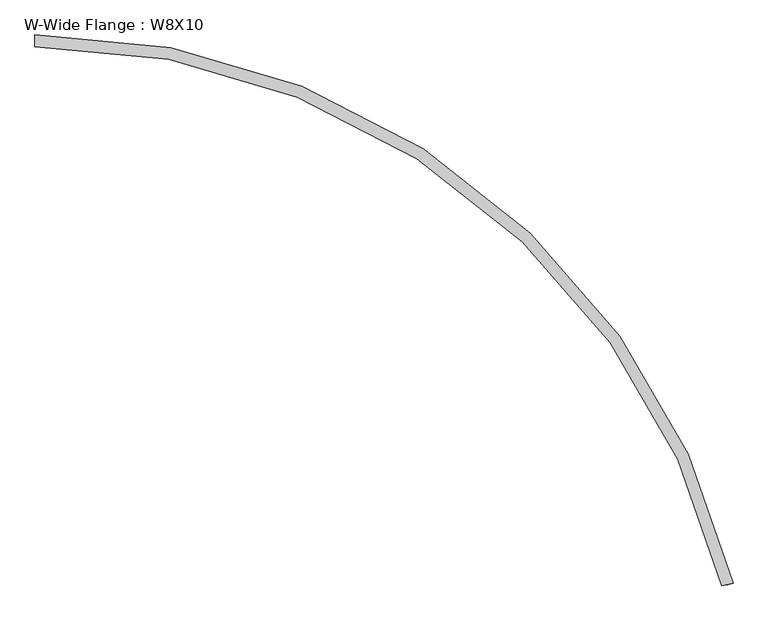
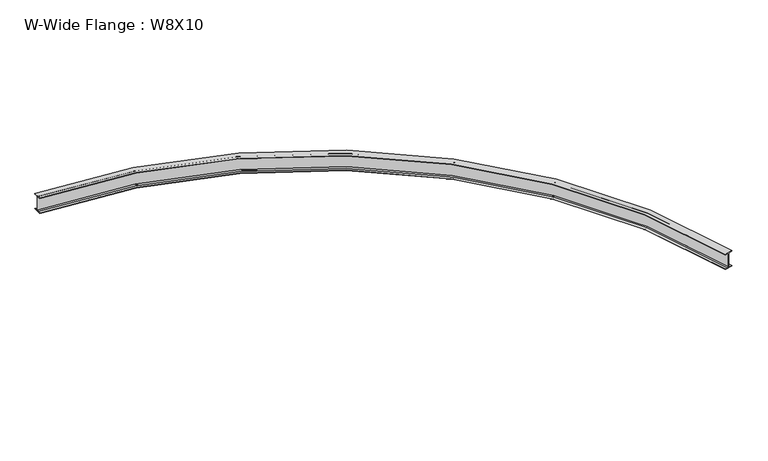
"""IFC4 building model written with IfcOpenShell, lengths in millimetres: beam geometry, W-Wide Flange : W8X10."""

from ifc_helpers import new_model, si_unit, point, frame, origin, place, context, project, spatial, polyline, circle_curve, ellipse_curve, trimmed, source, transform, mapped, element, save
from ifc_brep_helpers import plane_surface, cylinder_surface, revolved_surface, advanced_brep


def w_wide_flange_w8x10_1c347c43(model_context):
    return source(origin(), model_context, "Body", "AdvancedBrep", [
        advanced_brep(
        [(5970.8551992, -4638.9856499, -95.0515625), (5936.2992404, -4647.4180312, -95.0515625), (5924.3468307, -4650.3346708, -82.7484375), (5924.3468307, -4650.3346708, 82.7484375), (5936.2992404, -4647.4180312, 95.0515625), (5970.8551992, -4638.9856499, 95.0515625), (5970.8551992, -4638.9856499, 100.2109375), (5873.5972845, -4662.7186283, 100.2109375), (5873.5972845, -4662.7186283, 95.0515625), (5908.1532433, -4654.286247, 95.0515625), (5920.1056531, -4651.3696074, 82.7484375), (5920.1056531, -4651.3696074, -82.7484375), (5908.1532433, -4654.286247, -95.0515625), (5873.5972845, -4662.7186283, -95.0515625), (5873.5972845, -4662.7186283, -100.2109375), (5970.8551992, -4638.9856499, -100.2109375), (0.0, 50.0558594, -95.0515625), (0.0, 50.0558594, -100.2109375), (0.0, -50.0558594, -100.2109375), (0.0, -50.0558594, -95.0515625), (0.0, -14.4859375, -95.0515625), (0.0, -2.1828125, -82.7484375), (0.0, -2.1828125, 82.7484375), (0.0, -14.4859375, 95.0515625), (0.0, -50.0558594, 95.0515625), (0.0, -50.0558594, 100.2109375), (0.0, 50.0558594, 100.2109375), (0.0, 50.0558594, 95.0515625), (0.0, 14.4859375, 95.0515625), (0.0, 2.1828125, 82.7484375), (0.0, 2.1828125, -82.7484375), (0.0, 14.4859375, -95.0515625)],
        [
            (0, 1),
            (1, 2, circle_curve(frame((5936.2992404, -4647.4180312, -82.7484375), z_axis=(-0.23706493781463706, 0.9714938060836736, 0.0), x_axis=(-0.9714938060836736, -0.23706493781463706, 0.0)), 12.303125)),
            (2, 3),
            (3, 4, circle_curve(frame((5936.2992404, -4647.4180312, 82.7484375), z_axis=(-0.23706493781463706, 0.9714938060836736, 0.0), x_axis=(-0.9714938060836736, -0.23706493781463706, 0.0)), 12.303125)),
            (4, 5),
            (5, 6),
            (6, 7),
            (7, 8),
            (8, 9),
            (9, 10, circle_curve(frame((5908.1532433, -4654.286247, 82.7484375), z_axis=(-0.23706493781463706, 0.9714938060836736, 0.0), x_axis=(-0.9714938060836736, -0.23706493781463706, 0.0)), 12.303125)),
            (10, 11),
            (11, 12, circle_curve(frame((5908.1532433, -4654.286247, -82.7484375), z_axis=(-0.23706493781463706, 0.9714938060836736, 0.0), x_axis=(-0.9714938060836736, -0.23706493781463706, 0.0)), 12.303125)),
            (12, 13),
            (13, 14),
            (14, 15),
            (15, 0),
            (16, 17),
            (17, 18),
            (18, 19),
            (19, 20),
            (20, 21, circle_curve(frame((0.0, -14.4859375, -82.7484375), z_axis=(0.9999999999999999, 0.0, 0.0), x_axis=(0.0, -0.9999999999999999, 0.0)), 12.303125)),
            (21, 22),
            (22, 23, circle_curve(frame((0.0, -14.4859375, 82.7484375), z_axis=(0.9999999999999999, 0.0, 0.0), x_axis=(0.0, -0.9999999999999999, 0.0)), 12.303125)),
            (23, 24),
            (24, 25),
            (25, 26),
            (26, 27),
            (27, 28),
            (28, 29, circle_curve(frame((0.0, 14.4859375, 82.7484375), z_axis=(0.9999999999999999, 0.0, 0.0), x_axis=(0.0, -0.9999999999999999, 0.0)), 12.303125)),
            (29, 30),
            (30, 31, circle_curve(frame((0.0, 14.4859375, -82.7484375), z_axis=(0.9999999999999999, 0.0, 0.0), x_axis=(0.0, -0.9999999999999999, 0.0)), 12.303125)),
            (31, 16),
            (0, 16, circle_curve(frame((0.0, -6096.0, -95.0515625), z_axis=(0.0, 0.0, 1.0), x_axis=(-0.7777283163991378, 0.628600561462494, 0.0)), 6146.0558594)),
            (31, 1, circle_curve(frame((0.0, -6096.0, -95.0515625), z_axis=(0.0, 0.0, -1.0), x_axis=(-0.7777283163991378, 0.628600561462494, 0.0)), 6110.4859375)),
            (30, 2, circle_curve(frame((0.0, -6096.0, -82.7484375), z_axis=(0.0, 0.0, -1.0), x_axis=(-0.7777283163991378, 0.628600561462494, 0.0)), 6098.1828125)),
            (29, 3, circle_curve(frame((0.0, -6096.0, 82.7484375), z_axis=(0.0, 0.0, -1.0), x_axis=(-0.7777283163991378, 0.628600561462494, 0.0)), 6098.1828125)),
            (28, 4, circle_curve(frame((0.0, -6096.0, 95.0515625), z_axis=(0.0, 0.0, -1.0), x_axis=(-0.7777283163991378, 0.628600561462494, 0.0)), 6110.4859375)),
            (27, 5, circle_curve(frame((0.0, -6096.0, 95.0515625), z_axis=(0.0, 0.0, -1.0), x_axis=(-0.7777283163991378, 0.628600561462494, 0.0)), 6146.0558594)),
            (26, 6, circle_curve(frame((0.0, -6096.0, 100.2109375), z_axis=(0.0, 0.0, -1.0), x_axis=(-0.7777283163991378, 0.628600561462494, 0.0)), 6146.0558594)),
            (25, 7, circle_curve(frame((0.0, -6096.0, 100.2109375), z_axis=(0.0, 0.0, -1.0), x_axis=(-0.7777283163991378, 0.628600561462494, 0.0)), 6045.9441406)),
            (24, 8, circle_curve(frame((0.0, -6096.0, 95.0515625), z_axis=(0.0, 0.0, -1.0), x_axis=(-0.7777283163991378, 0.628600561462494, 0.0)), 6045.9441406)),
            (23, 9, circle_curve(frame((0.0, -6096.0, 95.0515625), z_axis=(0.0, 0.0, -1.0), x_axis=(-0.7777283163991378, 0.628600561462494, 0.0)), 6081.5140625)),
            (22, 10, circle_curve(frame((0.0, -6096.0, 82.7484375), z_axis=(0.0, 0.0, -1.0), x_axis=(-0.7777283163991378, 0.628600561462494, 0.0)), 6093.8171875)),
            (21, 11, circle_curve(frame((0.0, -6096.0, -82.7484375), z_axis=(0.0, 0.0, -1.0), x_axis=(-0.7777283163991378, 0.628600561462494, 0.0)), 6093.8171875)),
            (20, 12, circle_curve(frame((0.0, -6096.0, -95.0515625), z_axis=(0.0, 0.0, -1.0), x_axis=(-0.7777283163991378, 0.628600561462494, 0.0)), 6081.5140625)),
            (19, 13, circle_curve(frame((0.0, -6096.0, -95.0515625), z_axis=(0.0, 0.0, -1.0), x_axis=(-0.7777283163991378, 0.628600561462494, 0.0)), 6045.9441406)),
            (18, 14, circle_curve(frame((0.0, -6096.0, -100.2109375), z_axis=(0.0, 0.0, -1.0), x_axis=(-0.7777283163991378, 0.628600561462494, 0.0)), 6045.9441406)),
            (17, 15, circle_curve(frame((0.0, -6096.0, -100.2109375), z_axis=(0.0, 0.0, -1.0), x_axis=(-0.7777283163991378, 0.628600561462494, 0.0)), 6146.0558594)),
        ],
        [
            plane_surface(frame((5922.2262419, -4650.8521391, 0.0), z_axis=(0.23706493781463706, -0.9714938060836735, 0.0), x_axis=(0.0, 0.0, 1.0))),
            plane_surface(frame((0.0, 0.0, 0.0), z_axis=(-1.0, 0.0, 0.0), x_axis=(0.0, 0.0, 1.0))),
            plane_surface(frame((0.0, -6096.0, -95.0515625), z_axis=(0.0, 0.0, 1.0), x_axis=(-0.7777283163991378, 0.628600561462494, 0.0))),
            revolved_surface(trimmed(ellipse_curve(frame((-4752.2979406, -2254.9451089, -82.7484375), z_axis=(0.6286005614624891, 0.7777283163991418, 0.0), x_axis=(0.7777283163991418, -0.6286005614624891, 0.0)), 12.303125, 12.303125), [point((-4742.7294519, -2262.6788602, -82.7484375))], [point((-4752.2979406, -2254.9451089, -95.0515625))], True, "CARTESIAN"), (0.0, -6096.0, 0.0), (0.0, 0.0, -1.0)),
            cylinder_surface(frame((0.0, -6096.0, 0.0), z_axis=(0.0, 0.0, -1.0), x_axis=(-0.7777283163991378, 0.628600561462494, 0.0)), 6098.1828125),
            revolved_surface(trimmed(ellipse_curve(frame((-4752.2979406, -2254.9451089, 82.7484375), z_axis=(0.6286005614624891, 0.7777283163991418, 0.0), x_axis=(0.7777283163991418, -0.6286005614624891, 0.0)), 12.303125, 12.303125), [point((-4752.2979406, -2254.9451089, 95.0515625))], [point((-4742.7294519, -2262.6788602, 82.7484375))], True, "CARTESIAN"), (0.0, -6096.0, 0.0), (0.0, 0.0, -1.0)),
            plane_surface(frame((0.0, -6096.0, 95.0515625), z_axis=(0.0, 0.0, -1.0), x_axis=(-0.7777283163991378, 0.628600561462494, 0.0))),
            cylinder_surface(frame((0.0, -6096.0, 0.0), z_axis=(0.0, 0.0, -1.0), x_axis=(-0.7777283163991378, 0.628600561462494, 0.0)), 6146.0558594),
            plane_surface(frame((0.0, -6096.0, 100.2109375), z_axis=(0.0, 0.0, 1.0), x_axis=(-0.7777283163991378, 0.628600561462494, 0.0))),
            revolved_surface(polyline([(-4702.10195751207, -2295.5161186479645, 95.0515625), (-4702.10195751207, -2295.5161186479645, 100.2109375)]), (0.0, -6096.0, 0.0), (0.0, 0.0, -1.0)),
            revolved_surface(trimmed(ellipse_curve(frame((-4729.765693, -2273.1568458, 82.7484375), z_axis=(0.6286005614624891, 0.7777283163991418, 0.0), x_axis=(0.7777283163991418, -0.6286005614624891, 0.0)), 12.303125, 12.303125), [point((-4739.3341817, -2265.4230945, 82.7484375))], [point((-4729.765693, -2273.1568458, 95.0515625))], True, "CARTESIAN"), (0.0, -6096.0, 0.0), (0.0, 0.0, -1.0)),
            revolved_surface(polyline([(-4739.334181678503, -2265.423094487704, -82.7484375), (-4739.334181678503, -2265.423094487704, 82.7484375)]), (0.0, -6096.0, 0.0), (0.0, 0.0, -1.0)),
            revolved_surface(trimmed(ellipse_curve(frame((-4729.765693, -2273.1568458, -82.7484375), z_axis=(0.6286005614624891, 0.7777283163991418, 0.0), x_axis=(0.7777283163991418, -0.6286005614624891, 0.0)), 12.303125, 12.303125), [point((-4729.765693, -2273.1568458, -95.0515625))], [point((-4739.3341817, -2265.4230945, -82.7484375))], True, "CARTESIAN"), (0.0, -6096.0, 0.0), (0.0, 0.0, -1.0)),
            revolved_surface(polyline([(-4702.10195751207, -2295.5161186479645, -100.2109375), (-4702.10195751207, -2295.5161186479645, -95.0515625)]), (0.0, -6096.0, 0.0), (0.0, 0.0, -1.0)),
            plane_surface(frame((0.0, -6096.0, -100.2109375), z_axis=(0.0, 0.0, -1.0), x_axis=(-0.7777283163991378, 0.628600561462494, 0.0))),
        ],
        [
            (0, [[1, 2, 3, 4, 5, 6, 7, 8, 9, 10, 11, 12, 13, 14, 15, 16]]),
            (1, [[17, 18, 19, 20, 21, 22, 23, 24, 25, 26, 27, 28, 29, 30, 31, 32]]),
            (2, [[-1, 33, -32, 34]]),
            (3, [[-2, -34, -31, 35]]),
            (4, [[-3, -35, -30, 36]]),
            (5, [[-4, -36, -29, 37]]),
            (6, [[-5, -37, -28, 38]]),
            (7, [[-6, -38, -27, 39]]),
            (8, [[-7, -39, -26, 40]]),
            (9, [[-8, -40, -25, 41]]),
            (6, [[-9, -41, -24, 42]]),
            (10, [[-10, -42, -23, 43]]),
            (11, [[-11, -43, -22, 44]]),
            (12, [[-12, -44, -21, 45]]),
            (2, [[-13, -45, -20, 46]]),
            (13, [[-14, -46, -19, 47]]),
            (14, [[-15, -47, -18, 48]]),
            (7, [[-16, -48, -17, -33]]),
        ],
    ),
    ])


if __name__ == "__main__":
    model = new_model("IFC4")
    model_context = context("Model", 3, world=origin())
    ifc_project = project(units=[si_unit("LENGTHUNIT", "METRE", prefix="MILLI")], contexts=[model_context])
    site = spatial("IfcSite", under=ifc_project)
    building = spatial("IfcBuilding", under=site)
    placement = place(None, origin())
    w_wide_flange_w8x10_shape = w_wide_flange_w8x10_1c347c43(model_context)
    element("IfcBeam", 1, ObjectType="W-Wide Flange : W8X10", at=placement, inside=building, context=model_context, shape_type="MappedRepresentation", body=[
        mapped(w_wide_flange_w8x10_shape, transform((0.0, 0.0, 0.0), x_axis=(1.0, 0.0, 0.0), y_axis=(0.0, 1.0, 0.0), z_axis=(0.0, 0.0, 1.0))),
    ])
    save(model, "model.ifc")
